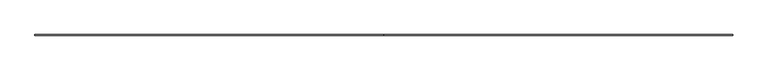
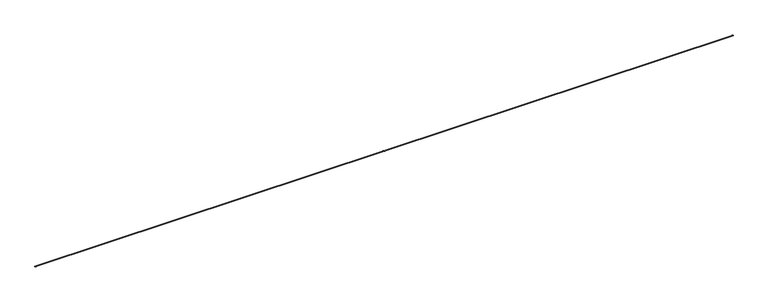
"""IFC4 building model written with IfcOpenShell, lengths in millimetres: proxy geometry."""

from ifc_helpers import new_model, si_unit, point, frame, origin, place, context, project, spatial, circle_curve, trimmed, source, transform, mapped, element, save
from ifc_brep_helpers import plane_surface, extruded_surface, advanced_brep


def specialty_equipment_dd73819b(model_context):
    return source(origin(), model_context, "Body", "AdvancedBrep", [
        advanced_brep(
        [(9046.0, -4.0015184, 1800.0), (9046.0, 3.9984816, 1800.0), (4750.0, -4.0, 1800.0), (4750.0, 4.0, 1800.0)],
        [
            (0, 1, circle_curve(frame((9046.0, -0.0015184, 1800.0), z_axis=(1.0, 0.0, 0.0), x_axis=(0.0, 1.0, 0.0)), 4.0)),
            (1, 0, circle_curve(frame((9046.0, -0.0015184, 1800.0), z_axis=(1.0, 0.0, 0.0), x_axis=(0.0, 1.0, 0.0)), 4.0)),
            (2, 3, circle_curve(frame((4750.0, 0.0, 1800.0), z_axis=(-1.0, 0.0, 0.0), x_axis=(0.0, 1.0, 0.0)), 4.0)),
            (3, 2, circle_curve(frame((4750.0, 0.0, 1800.0), z_axis=(-1.0, 0.0, 0.0), x_axis=(0.0, 1.0, 0.0)), 4.0)),
            (3, 1),
            (0, 2),
        ],
        [
            plane_surface(frame((9046.0, -0.0015184, 1800.0), z_axis=(1.0, 0.0, 0.0), x_axis=(0.0, 0.0, -1.0))),
            plane_surface(frame((4750.0, 0.0, 1800.0), z_axis=(-1.0, 0.0, 0.0), x_axis=(0.0, 0.0, -1.0))),
            extruded_surface(trimmed(circle_curve(frame((4750.0, 0.0, 1800.0), z_axis=(1.0, 0.0, 0.0), x_axis=(0.0, 1.0, 0.0)), 4.0), [point((4750.0, -4.0, 1800.0))], [point((4750.0, 4.0, 1800.0))], True, "CARTESIAN"), (4296.0, -0.0015184, 0.0), 4296.000000000268),
            extruded_surface(trimmed(circle_curve(frame((4750.0, 0.0, 1800.0), z_axis=(1.0, 0.0, 0.0), x_axis=(0.0, 1.0, 0.0)), 4.0), [point((4750.0, 4.0, 1800.0))], [point((4750.0, -4.0, 1800.0))], True, "CARTESIAN"), (4296.0, -0.0015184, 0.0), 4296.000000000268),
        ],
        [
            (0, [[1, 2]]),
            (1, [[3, 4]]),
            (2, [[-4, 5, -1, 6]]),
            (3, [[-3, -6, -2, -5]]),
        ],
    ),
        advanced_brep(
        [(4750.0, -3.9839678, 1800.0), (4750.0, 4.0160322, 1800.0), (454.0, -3.9999985, 1800.0), (454.0, 4.0000015, 1800.0)],
        [
            (0, 1, circle_curve(frame((4750.0, 0.0160322, 1800.0), z_axis=(1.0, 0.0, 0.0), x_axis=(0.0, 1.0, 0.0)), 4.0)),
            (1, 0, circle_curve(frame((4750.0, 0.0160322, 1800.0), z_axis=(1.0, 0.0, 0.0), x_axis=(0.0, 1.0, 0.0)), 4.0)),
            (2, 3, circle_curve(frame((454.0, 1.5e-06, 1800.0), z_axis=(-1.0, 0.0, 0.0), x_axis=(0.0, 1.0, 0.0)), 4.0)),
            (3, 2, circle_curve(frame((454.0, 1.5e-06, 1800.0), z_axis=(-1.0, 0.0, 0.0), x_axis=(0.0, 1.0, 0.0)), 4.0)),
            (3, 1),
            (0, 2),
        ],
        [
            plane_surface(frame((4750.0, 0.0160322, 1800.0), z_axis=(1.0, 0.0, 0.0), x_axis=(0.0, 0.0, -1.0))),
            plane_surface(frame((454.0, 1.5e-06, 1800.0), z_axis=(-1.0, 0.0, 0.0), x_axis=(0.0, 0.0, -1.0))),
            extruded_surface(trimmed(circle_curve(frame((454.0, 1.5e-06, 1800.0), z_axis=(1.0, 0.0, 0.0), x_axis=(0.0, 1.0, 0.0)), 4.0), [point((454.0, -3.9999985, 1800.0))], [point((454.0, 4.0000015, 1800.0))], True, "CARTESIAN"), (4296.0, 0.0160307, 0.0), 4296.00000002991),
            extruded_surface(trimmed(circle_curve(frame((454.0, 1.5e-06, 1800.0), z_axis=(1.0, 0.0, 0.0), x_axis=(0.0, 1.0, 0.0)), 4.0), [point((454.0, 4.0000015, 1800.0))], [point((454.0, -3.9999985, 1800.0))], True, "CARTESIAN"), (4296.0, 0.0160307, 0.0), 4296.00000002991),
        ],
        [
            (0, [[1, 2]]),
            (1, [[3, 4]]),
            (2, [[-4, 5, -1, 6]]),
            (3, [[-3, -6, -2, -5]]),
        ],
    ),
    ])


if __name__ == "__main__":
    model = new_model("IFC4")
    model_context = context("Model", 3, world=origin())
    ifc_project = project(units=[si_unit("LENGTHUNIT", "METRE", prefix="MILLI")], contexts=[model_context])
    site = spatial("IfcSite", under=ifc_project)
    building = spatial("IfcBuilding", under=site)
    placement = place(None, origin())
    specialty_equipment_shape = specialty_equipment_dd73819b(model_context)
    element("IfcBuildingElementProxy", 1, Name="Specialty Equipment", at=placement, inside=building, context=model_context, shape_type="MappedRepresentation", body=[
        mapped(specialty_equipment_shape, transform((0.0, 0.0, 0.0), x_axis=(1.0, 0.0, 0.0), y_axis=(0.0, 1.0, 0.0), z_axis=(0.0, 0.0, 1.0))),
    ])
    save(model, "model.ifc")
